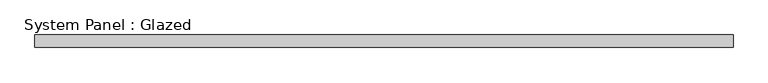
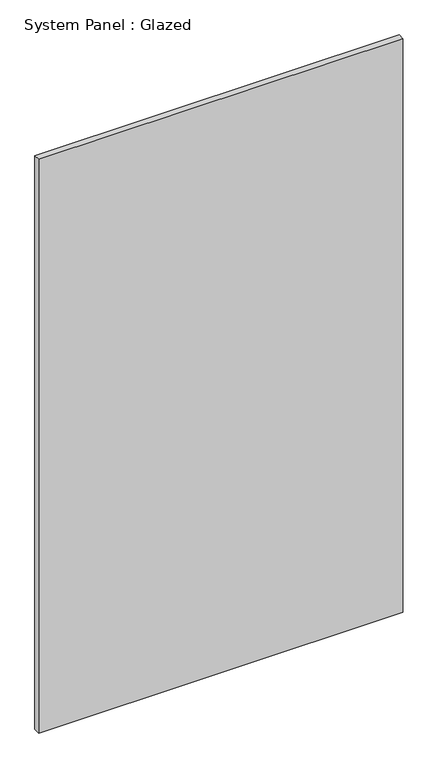
"""IFC4 building model written with IfcOpenShell, lengths in millimetres: plate geometry, System Panel : Glazed."""

from ifc_helpers import new_model, si_unit, origin, origin_with_axes, place, context, project, spatial, polyline, outline, extrude, source, transform, mapped, element, save


def system_panel_glazed_fc10caf5(model_context):
    return source(origin(), model_context, "Body", "SweptSolid", [
        extrude(outline(polyline([(697.8124302, 24.5), (-697.8124302, 24.5), (-697.8124302, 49.5), (697.8124302, 49.5), (697.8124302, 24.5)])), origin_with_axes(), (0.0, 0.0, 1.0), 2325.0),
    ])


if __name__ == "__main__":
    model = new_model("IFC4")
    model_context = context("Model", 3, world=origin())
    ifc_project = project(units=[si_unit("LENGTHUNIT", "METRE", prefix="MILLI")], contexts=[model_context])
    site = spatial("IfcSite", under=ifc_project)
    building = spatial("IfcBuilding", under=site)
    placement = place(None, origin())
    system_panel_glazed_shape = system_panel_glazed_fc10caf5(model_context)
    element("IfcPlate", 1, ObjectType="System Panel : Glazed", at=placement, inside=building, context=model_context, shape_type="MappedRepresentation", body=[
        mapped(system_panel_glazed_shape, transform((0.0, 0.0, 0.0), x_axis=(1.0, 0.0, 0.0), y_axis=(0.0, 1.0, 0.0), z_axis=(0.0, 0.0, 1.0))),
    ])
    save(model, "model.ifc")
